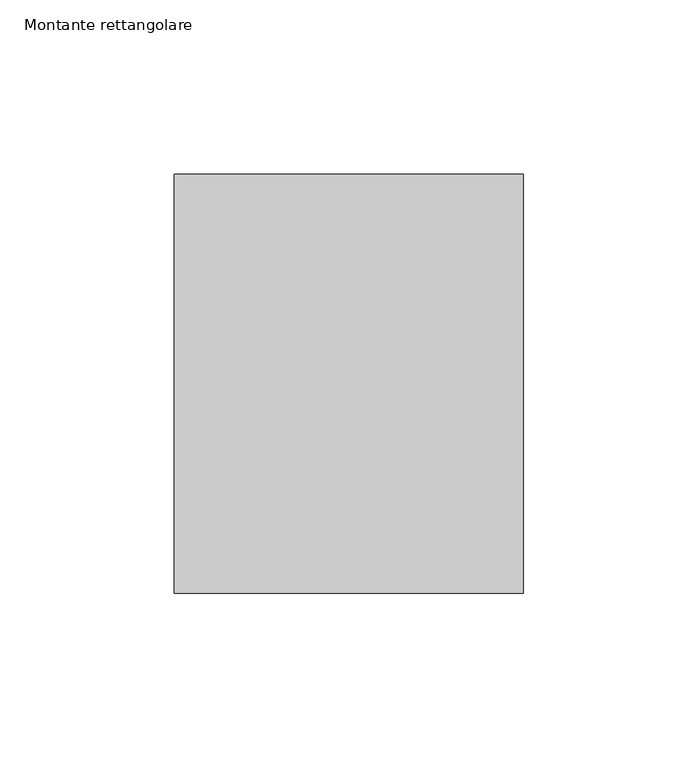
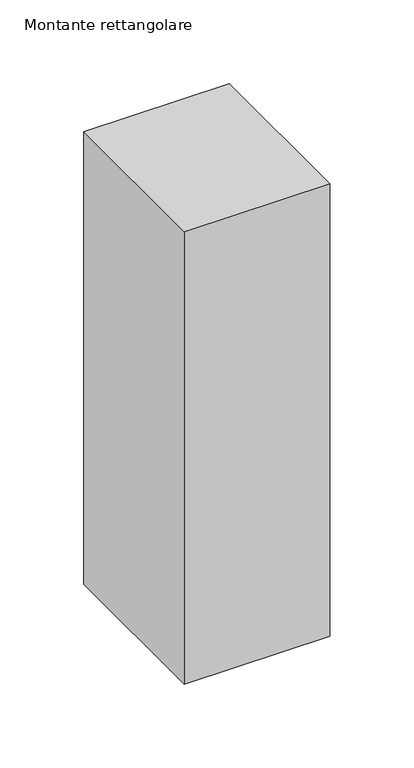
"""IFC4 building model written with IfcOpenShell, lengths in millimetres: member geometry, Montante rettangolare."""

import ifcopenshell
import ifcopenshell.guid

model = None  # the IFC model being written
_history = None  # IfcOwnerHistory: only IFC2X3 demands one
_inside = {}  # id of a spatial element -> (the spatial element, [elements in it])
_under = {}  # id of a project, library or spatial element -> (it, [spatial elements below it])
_declared = {}  # id of a project -> (the project, [libraries it declares])
_typed = {}  # id of a type object -> (the type object, [elements of that type])
_made_of = {}  # id of a material, layer set ... -> (it, [elements and type objects made of it])


def new_model(schema):
    """Start an empty IFC model of exactly this schema.

    Asked for "IFC4X3", IfcOpenShell would pick the latest addendum, in which some entities
    have other attributes; the version numbers below select the first issue.
    IFC2X3 requires an IfcOwnerHistory on every rooted entity: one is made here for all.
    """
    global model, _history
    if schema == "IFC4X3":
        model = ifcopenshell.file(schema_version=(4, 3, 0, 0))
    else:
        model = ifcopenshell.file(schema=schema)
    _inside.clear()
    _under.clear()
    _declared.clear()
    _typed.clear()
    _made_of.clear()
    _history = None
    if model.schema == "IFC2X3":
        org = make("IfcOrganization", Name="unknown")
        user = make(
            "IfcPersonAndOrganization",
            ThePerson=make("IfcPerson", FamilyName="unknown"),
            TheOrganization=org,
        )
        app = make(
            "IfcApplication",
            ApplicationDeveloper=org,
            Version="unknown",
            ApplicationFullName="unknown",
            ApplicationIdentifier="unknown",
        )
        _history = make(
            "IfcOwnerHistory",
            OwningUser=user,
            OwningApplication=app,
            ChangeAction="ADDED",
            CreationDate=0,
        )
    return model


def make(cls, **values):
    """One entity of the class cls with the attributes given. An attribute that is None is left unset."""
    return model.create_entity(
        cls, **{name: value for name, value in values.items() if value is not None}
    )


def rooted(cls, **values):
    """An entity with a GlobalId (a new one), such as an element, a storey or a relation."""
    return make(cls, GlobalId=ifcopenshell.guid.new(), OwnerHistory=_history, **values)


def si_unit(unit_type, name, prefix=None):
    """IfcSIUnit, for example si_unit("LENGTHUNIT", "METRE", prefix="MILLI")."""
    return make("IfcSIUnit", UnitType=unit_type, Prefix=prefix, Name=name)


def assignment(units):
    """IfcUnitAssignment: the units of a project."""
    return None if units is None else make("IfcUnitAssignment", Units=units)


def point(xyz):
    """IfcCartesianPoint."""
    return None if xyz is None else make("IfcCartesianPoint", Coordinates=xyz)


def direction(xyz):
    """IfcDirection."""
    return None if xyz is None else make("IfcDirection", DirectionRatios=xyz)


def frame(location, z_axis=None, x_axis=None):
    """IfcAxis2Placement3D, a coordinate frame: its origin and axes. An axis left out is left unset."""
    return make(
        "IfcAxis2Placement3D",
        Location=point(location),
        Axis=direction(z_axis),
        RefDirection=direction(x_axis),
    )


def origin():
    """The frame at (0, 0, 0) with its axes left unset."""
    return frame((0.0, 0.0, 0.0))


def place(relative_to, where):
    """IfcLocalPlacement: puts the frame where relative to a parent placement (None: the world)."""
    return make(
        "IfcLocalPlacement", PlacementRelTo=relative_to, RelativePlacement=where
    )


def context(
    kind, dimensions, precision=None, world=None, true_north=None, identifier=None
):
    """IfcGeometricRepresentationContext, for example the 3D "Model" context."""
    return make(
        "IfcGeometricRepresentationContext",
        ContextIdentifier=identifier,
        ContextType=kind,
        CoordinateSpaceDimension=dimensions,
        Precision=precision,
        WorldCoordinateSystem=world,
        TrueNorth=true_north,
    )


def project(units=None, contexts=None):
    """IfcProject with its units and contexts."""
    return rooted(
        "IfcProject",
        Name="project",
        RepresentationContexts=contexts,
        UnitsInContext=assignment(units),
    )


def spatial(cls, under=None, at=None, **own):
    """A site, building, storey or space (cls), placed at a placement, below another one or the project."""
    s = rooted(cls, ObjectPlacement=at, **own)
    if under is not None:
        _under.setdefault(under.id(), (under, []))[1].append(s)
    return s


def polyline(points):
    """IfcPolyline through the points."""
    return make("IfcPolyline", Points=[point(p) for p in points])


def outline(outer, holes=None, kind="AREA"):
    """IfcArbitraryClosedProfileDef: a profile drawn as a closed curve; with holes, ...WithVoids."""
    if holes is None:
        return make("IfcArbitraryClosedProfileDef", ProfileType=kind, OuterCurve=outer)
    return make(
        "IfcArbitraryProfileDefWithVoids",
        ProfileType=kind,
        OuterCurve=outer,
        InnerCurves=holes,
    )


def extrude(swept, where, along, depth):
    """IfcExtrudedAreaSolid: the profile swept, set in the frame where, extruded along a direction by depth."""
    return make(
        "IfcExtrudedAreaSolid",
        SweptArea=swept,
        Position=where,
        ExtrudedDirection=direction(along),
        Depth=depth,
    )


def shape(context_of_items, identifier, shape_type, items):
    """IfcShapeRepresentation: the items that make up one representation, for example the "Body"."""
    return make(
        "IfcShapeRepresentation",
        ContextOfItems=context_of_items,
        RepresentationIdentifier=identifier,
        RepresentationType=shape_type,
        Items=items,
    )


def source(mapping_origin, context_of_items, identifier, shape_type, items):
    """IfcRepresentationMap: a shape defined once, which mapped items show again and again."""
    return make(
        "IfcRepresentationMap",
        MappingOrigin=mapping_origin,
        MappedRepresentation=shape(context_of_items, identifier, shape_type, items),
    )


def transform(
    local_origin,
    x_axis=None,
    y_axis=None,
    z_axis=None,
    scale=None,
    scale2=None,
    scale3=None,
    uniform=True,
):
    """IfcCartesianTransformationOperator3D, or its non-uniform kind. x_axis, y_axis, z_axis: its Axis1, 2, 3."""
    if uniform:
        return make(
            "IfcCartesianTransformationOperator3D",
            Axis1=direction(x_axis),
            Axis2=direction(y_axis),
            LocalOrigin=point(local_origin),
            Scale=scale,
            Axis3=direction(z_axis),
        )
    return make(
        "IfcCartesianTransformationOperator3DnonUniform",
        Axis1=direction(x_axis),
        Axis2=direction(y_axis),
        LocalOrigin=point(local_origin),
        Scale=scale,
        Axis3=direction(z_axis),
        Scale2=scale2,
        Scale3=scale3,
    )


def mapped(mapping_source, mapping_target):
    """IfcMappedItem: shows the shape of a source again, moved by a transform."""
    return make(
        "IfcMappedItem", MappingSource=mapping_source, MappingTarget=mapping_target
    )


def made_of(thing, what):
    """Note that an element or type object is made of a material, layer set ...; save() writes the relation."""
    if what is not None:
        _made_of.setdefault(what.id(), (what, []))[1].append(thing)
    return thing


def element(
    cls,
    number,
    at=None,
    inside=None,
    cuts=None,
    type_object=None,
    material=None,
    context=None,
    identifier="Body",
    shape_type=None,
    held_by="IfcProductDefinitionShape",
    body=None,
    shapes=None,
    **own,
):
    """One element of the class cls, such as IfcWall. Its Tag is "e" and its number.

    at: its placement. inside: the storey or other place that contains it. cuts: it is an
    opening in that element (IfcRelVoidsElement). A single representation is given by context,
    identifier, shape_type and body (its items); several are given by shapes. held_by: the class
    of the entity that holds the representations. save() writes the other relations.
    """
    e = rooted(cls, Tag="e%d" % number, ObjectPlacement=at, **own)
    if body is not None:
        shapes = [shape(context, identifier, shape_type, body)]
    if shapes is not None:
        e.Representation = make(held_by, Representations=shapes)
    if inside is not None:
        _inside.setdefault(inside.id(), (inside, []))[1].append(e)
    if cuts is not None:
        rooted(
            "IfcRelVoidsElement", RelatingBuildingElement=cuts, RelatedOpeningElement=e
        )
    if type_object is not None:
        _typed.setdefault(type_object.id(), (type_object, []))[1].append(e)
    return made_of(e, material)


def aggregate(whole, parts):
    """IfcRelAggregates: a whole, such as a stair, and the parts it consists of."""
    return rooted("IfcRelAggregates", RelatingObject=whole, RelatedObjects=parts)


def save(model, path):
    """Write the relations noted so far, then the file.

    IfcRelAggregates (storeys below a building ...), IfcRelContainedInSpatialStructure (elements
    in a storey), IfcRelDefinesByType, IfcRelAssociatesMaterial and IfcRelDeclares: one each for
    every whole, place, type object, material and project.
    """
    for whole, parts in _under.values():
        aggregate(whole, parts)
    for where, things in _inside.values():
        rooted(
            "IfcRelContainedInSpatialStructure",
            RelatedElements=things,
            RelatingStructure=where,
        )
    for kind, things in _typed.values():
        rooted("IfcRelDefinesByType", RelatedObjects=things, RelatingType=kind)
    for what, things in _made_of.values():
        rooted("IfcRelAssociatesMaterial", RelatedObjects=things, RelatingMaterial=what)
    for by, libraries in _declared.values():
        rooted("IfcRelDeclares", RelatingContext=by, RelatedDefinitions=libraries)
    model.write(path)


def montante_rettangolare_275a4354(model_context):
    return source(origin(), model_context, "Body", "SweptSolid", [
        extrude(outline(polyline([(0.0, 60.0), (0.0, -60.0), (-100.0, -60.0), (-100.0, 60.0), (0.0, 60.0)])), frame((0.0, 0.0, -329.2333082), z_axis=(0.0, 0.0, 1.0), x_axis=(1.0, 0.0, 0.0)), (0.0, 0.0, 1.0), 329.2333082),
    ])


if __name__ == "__main__":
    model = new_model("IFC4")
    model_context = context("Model", 3, world=origin())
    ifc_project = project(units=[si_unit("LENGTHUNIT", "METRE", prefix="MILLI")], contexts=[model_context])
    site = spatial("IfcSite", under=ifc_project)
    building = spatial("IfcBuilding", under=site)
    placement = place(None, origin())
    montante_rettangolare_shape = montante_rettangolare_275a4354(model_context)
    element("IfcMember", 1, ObjectType="Montante rettangolare", at=placement, inside=building, context=model_context, shape_type="MappedRepresentation", body=[
        mapped(montante_rettangolare_shape, transform((0.0, 0.0, 0.0), x_axis=(1.0, 0.0, 0.0), y_axis=(0.0, 1.0, 0.0), z_axis=(0.0, 0.0, 1.0))),
    ])
    save(model, "model.ifc")
